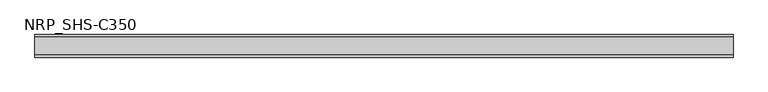
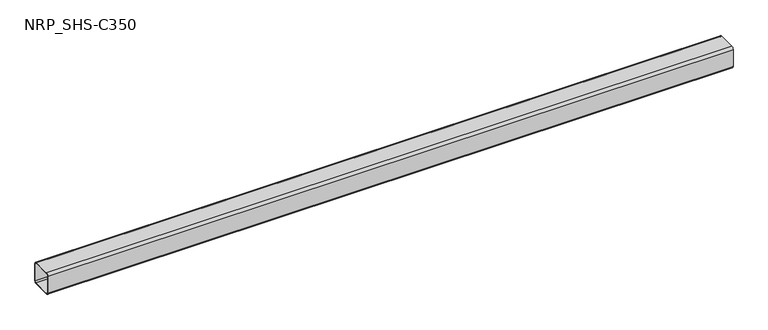
"""IFC4 building model written with IfcOpenShell, lengths in millimetres: member geometry, NRP_SHS-C350."""

from ifc_helpers import new_model, si_unit, point, frame, frame_2d, origin, place, context, project, spatial, polyline, circle_curve, trimmed, segment, composite_curve, outline, extrude, source, transform, mapped, element, save


def nrp_shs_c350_12a67ca7(model_context):
    return source(origin(), model_context, "Body", "SweptSolid", [
        extrude(outline(composite_curve([segment(trimmed(circle_curve(frame_2d((-35.75, 35.75)), 8.75), [point((-44.5, 35.75))], [point((-35.75, 44.5))], False, "CARTESIAN"), True, "CONTINUOUS"), segment(polyline([(-35.75, 44.5), (35.75, 44.5)]), True, "CONTINUOUS"), segment(trimmed(circle_curve(frame_2d((35.75, 35.75)), 8.75), [point((35.75, 44.5))], [point((44.5, 35.75))], False, "CARTESIAN"), True, "CONTINUOUS"), segment(polyline([(44.5, 35.75), (44.5, -35.75)]), True, "CONTINUOUS"), segment(trimmed(circle_curve(frame_2d((35.75, -35.75)), 8.75), [point((44.5, -35.75))], [point((35.75, -44.5))], False, "CARTESIAN"), True, "CONTINUOUS"), segment(polyline([(35.75, -44.5), (-35.75, -44.5)]), True, "CONTINUOUS"), segment(trimmed(circle_curve(frame_2d((-35.75, -35.75)), 8.75), [point((-35.75, -44.5))], [point((-44.5, -35.75))], False, "CARTESIAN"), True, "CONTINUOUS"), segment(polyline([(-44.5, -35.75), (-44.5, 35.75)]), True, "CONTINUOUS")], self_intersect=False), holes=[composite_curve([segment(polyline([(35.75, 41.0), (-35.75, 41.0)]), True, "CONTINUOUS"), segment(trimmed(circle_curve(frame_2d((-35.75, 35.75)), 5.25), [point((-35.75, 41.0))], [point((-41.0, 35.75))], True, "CARTESIAN"), True, "CONTINUOUS"), segment(polyline([(-41.0, 35.75), (-41.0, -35.75)]), True, "CONTINUOUS"), segment(trimmed(circle_curve(frame_2d((-35.75, -35.75)), 5.25), [point((-41.0, -35.75))], [point((-35.75, -41.0))], True, "CARTESIAN"), True, "CONTINUOUS"), segment(polyline([(-35.75, -41.0), (35.75, -41.0)]), True, "CONTINUOUS"), segment(trimmed(circle_curve(frame_2d((35.75, -35.75)), 5.25), [point((35.75, -41.0))], [point((41.0, -35.75))], True, "CARTESIAN"), True, "CONTINUOUS"), segment(polyline([(41.0, -35.75), (41.0, 35.75)]), True, "CONTINUOUS"), segment(trimmed(circle_curve(frame_2d((35.75, 35.75)), 5.25), [point((41.0, 35.75))], [point((35.75, 41.0))], True, "CARTESIAN"), True, "CONTINUOUS")], self_intersect=False)]), frame((-1372.0, 0.0, 0.0), z_axis=(1.0, 0.0, 0.0), x_axis=(0.0, 1.0, 0.0)), (0.0, 0.0, 1.0), 2749.0),
    ])


if __name__ == "__main__":
    model = new_model("IFC4")
    model_context = context("Model", 3, world=origin())
    ifc_project = project(units=[si_unit("LENGTHUNIT", "METRE", prefix="MILLI")], contexts=[model_context])
    site = spatial("IfcSite", under=ifc_project)
    building = spatial("IfcBuilding", under=site)
    placement = place(None, origin())
    nrp_shs_c350_shape = nrp_shs_c350_12a67ca7(model_context)
    element("IfcMember", 1, ObjectType="NRP_SHS-C350", at=placement, inside=building, context=model_context, shape_type="MappedRepresentation", body=[
        mapped(nrp_shs_c350_shape, transform((0.0, 0.0, 0.0), x_axis=(1.0, 0.0, 0.0), y_axis=(0.0, 1.0, 0.0), z_axis=(0.0, 0.0, 1.0))),
    ])
    save(model, "model.ifc")
